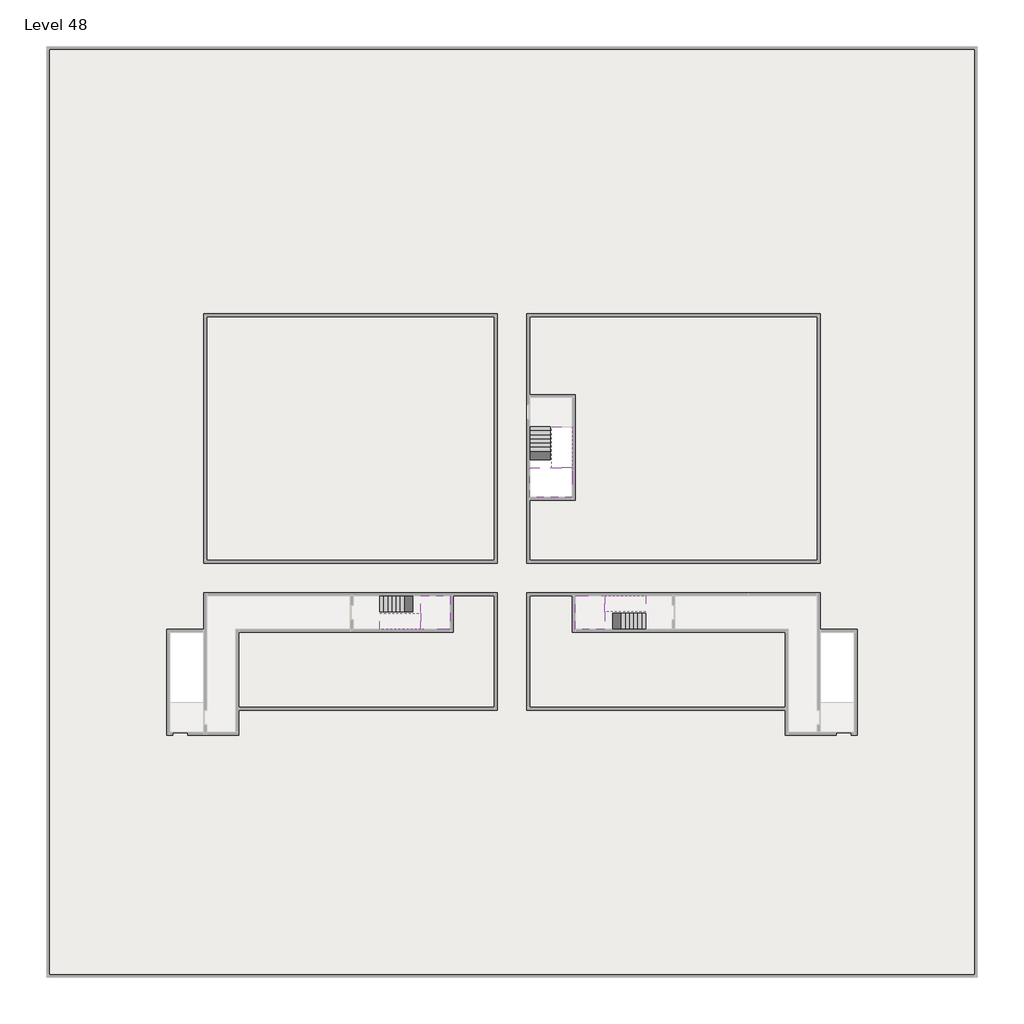
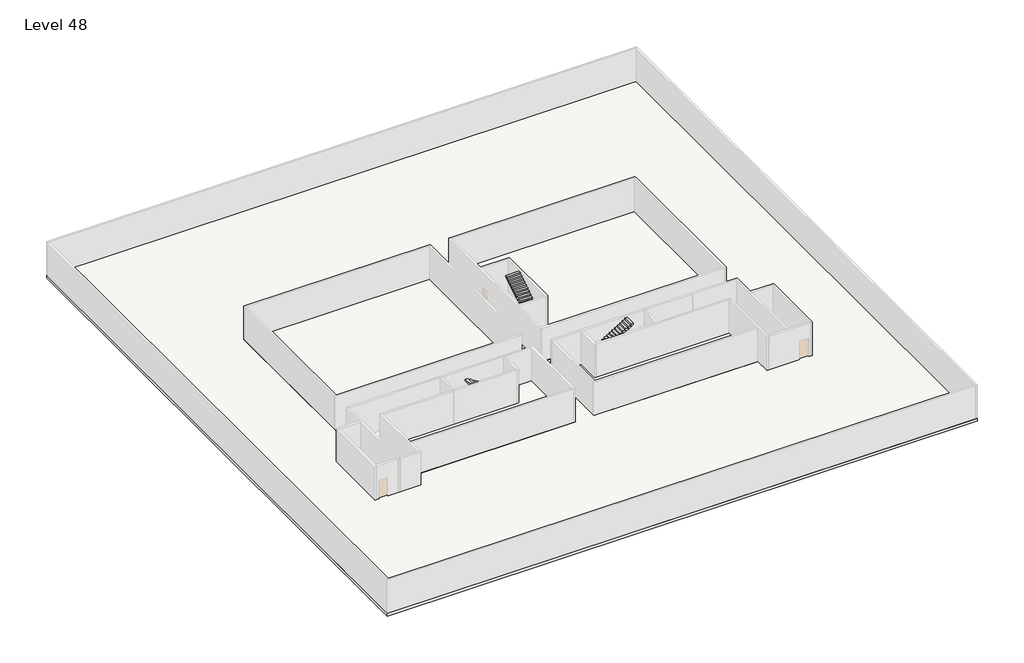
# One storey, part 2 of 2: 6 stair flights, 5 slabs.
"""IFC4 building model written with IfcOpenShell, lengths in millimetres."""

from ifc_helpers import new_model, si_unit, frame, origin, place, context, project, spatial, polyline, outline, extrude, faceted_brep, element, save

model = new_model("IFC4")

# Units and contexts
model_context = context("Model", 3, world=origin())
ifc_project = project(units=[si_unit("LENGTHUNIT", "METRE", prefix="MILLI")], contexts=[model_context])

# Site, building, storey
site = spatial("IfcSite", under=ifc_project)
building = spatial("IfcBuilding", under=site)
storey = spatial("IfcBuildingStorey", under=building, Name="Level 48", Elevation=178600.0)

# Slabs
placement = place(None, origin())
element("IfcSlab", 1, at=placement, inside=storey, context=model_context, shape_type="SweptSolid", body=[
    extrude(outline(polyline([(55890.1058784, -5518.09644), (55890.1058784, -68918.09644), (-7509.8941216, -68918.09644), (-7509.8941216, -5518.09644), (55890.1058784, -5518.09644)]), holes=[polyline([(23190.1058784, -23718.09644), (3190.1058784, -23718.09644), (3190.1058784, -40718.09644), (23190.1058784, -40718.09644), (23190.1058784, -23718.09644)]), polyline([(45190.1058784, -23718.09644), (25190.1058784, -23718.09644), (25190.1058784, -40718.09644), (45190.1058784, -40718.09644), (45190.1058784, -23718.09644)]), polyline([(23190.1058784, -42718.09644), (3190.1058784, -42718.09644), (3190.1058784, -45418.09644), (890.1058784, -45418.09644), (890.1058784, -52218.09644), (5390.1058784, -52218.09644), (5390.1058784, -50718.09644), (23190.1058784, -50718.09644), (23190.1058784, -42718.09644)]), polyline([(44990.1058784, -42718.09644), (25190.1058784, -42718.09644), (25190.1058784, -50718.09644), (42990.1058784, -50718.09644), (42990.1058784, -52218.09644), (47490.1058784, -52218.09644), (47490.1058784, -45418.09644), (44990.1058784, -45418.09644), (44990.1058784, -42718.09644)])]), frame((0.0, 0.0, 178300.0), z_axis=(0.0, 0.0, 1.0), x_axis=(1.0, 0.0, 0.0)), (0.0, 0.0, 1.0), 300.0),
])
element("IfcSlab", 2, at=placement, inside=storey, context=model_context, shape_type="Brep", body=[
    faceted_brep([(26790.1058784, -34218.09644, 180500.0), (25390.1058784, -34218.09644, 180500.0), (25390.1058784, -34297.4828763, 180500.0), (25390.1058784, -36218.09644, 180500.0), (28290.1058784, -36218.09644, 180500.0), (28290.1058784, -34418.7100038, 180500.0), (28290.1058784, -34218.09644, 180500.0), (26890.1058784, -34218.09644, 180500.0), (26790.1058784, -34218.09644, 180200.0), (26790.1058784, -34218.09644, 180151.0278478), (25390.1058784, -34218.09644, 180151.0278478), (25390.1058784, -34218.09644, 180327.2727273), (25390.1058784, -34297.4828763, 180200.0), (25390.1058784, -36218.09644, 180200.0), (28290.1058784, -36218.09644, 180200.0), (28290.1058784, -34418.7100038, 180200.0), (28290.1058784, -34218.09644, 180323.7551205), (26890.1058784, -34218.09644, 180323.7551205), (26890.1058784, -34218.09644, 180200.0), (26890.1058784, -34418.7100038, 180200.0), (26790.1058784, -34297.4828763, 180200.0)], [[[0, 1, 2, 3, 4, 5, 6, 7]], [[1, 0, 8, 9, 10, 11]], [[1, 11, 10, 12, 13, 3, 2]], [[4, 3, 13, 14]], [[4, 14, 15, 16, 6, 5]], [[7, 6, 16, 17]], [[0, 7, 17, 18, 8]], [[18, 19, 15, 14, 13, 12, 20, 8]], [[19, 18, 17]], [[20, 12, 10, 9]], [[8, 20, 9]], [[15, 19, 17, 16]]]),
])
element("IfcSlab", 3, at=placement, inside=storey, context=model_context, shape_type="SweptSolid", body=[
    extrude(outline(polyline([(22990.1058784, -23918.09644), (22990.1058784, -40518.09644), (3390.1058784, -40518.09644), (3390.1058784, -23918.09644), (22990.1058784, -23918.09644)])), frame((0.0, 0.0, 178300.0), z_axis=(0.0, 0.0, 1.0), x_axis=(1.0, 0.0, 0.0)), (0.0, 0.0, 1.0), 300.0),
    extrude(outline(polyline([(44990.1058784, -23918.09644), (44990.1058784, -40518.09644), (25390.1058784, -40518.09644), (25390.1058784, -36418.09644), (28490.1058784, -36418.09644), (28490.1058784, -29218.09644), (25390.1058784, -29218.09644), (25390.1058784, -23918.09644), (44990.1058784, -23918.09644)])), frame((0.0, 0.0, 178300.0), z_axis=(0.0, 0.0, 1.0), x_axis=(1.0, 0.0, 0.0)), (0.0, 0.0, 1.0), 300.0),
    extrude(outline(polyline([(22990.1058784, -42918.09644), (22990.1058784, -50518.09644), (5590.1058784, -50518.09644), (5590.1058784, -45418.09644), (20190.1058784, -45418.09644), (20190.1058784, -42918.09644), (22990.1058784, -42918.09644)])), frame((0.0, 0.0, 178300.0), z_axis=(0.0, 0.0, 1.0), x_axis=(1.0, 0.0, 0.0)), (0.0, 0.0, 1.0), 300.0),
    extrude(outline(polyline([(28290.1058784, -42918.09644), (28290.1058784, -45418.09644), (42790.1058784, -45418.09644), (42790.1058784, -50518.09644), (25390.1058784, -50518.09644), (25390.1058784, -42918.09644), (28290.1058784, -42918.09644)])), frame((0.0, 0.0, 178300.0), z_axis=(0.0, 0.0, 1.0), x_axis=(1.0, 0.0, 0.0)), (0.0, 0.0, 1.0), 300.0),
])
element("IfcSlab", 4, at=placement, inside=storey, context=model_context, shape_type="Brep", body=[
    faceted_brep([(30490.1058784, -45218.09644, 180500.0), (30490.1058784, -44118.09644, 180500.0), (30490.1058784, -44018.09644, 180500.0), (30490.1058784, -42918.09644, 180500.0), (30289.4923146, -42918.09644, 180500.0), (28490.1058784, -42918.09644, 180500.0), (28490.1058784, -45218.09644, 180500.0), (30410.7194421, -45218.09644, 180500.0), (30490.1058784, -45218.09644, 180327.2727273), (30490.1058784, -45218.09644, 180151.0278478), (30490.1058784, -44118.09644, 180151.0278478), (30490.1058784, -44118.09644, 180200.0), (30490.1058784, -44018.09644, 180200.0), (30490.1058784, -44018.09644, 180323.7551205), (30490.1058784, -42918.09644, 180323.7551205), (30289.4923146, -42918.09644, 180200.0), (28490.1058784, -42918.09644, 180200.0), (28490.1058784, -45218.09644, 180200.0), (30410.7194421, -45218.09644, 180200.0), (30289.4923146, -44018.09644, 180200.0), (30410.7194421, -44118.09644, 180200.0)], [[[0, 1, 2, 3, 4, 5, 6, 7]], [[1, 0, 8, 9, 10, 11]], [[2, 1, 11, 12, 13]], [[3, 2, 13, 14]], [[3, 14, 15, 16, 5, 4]], [[6, 5, 16, 17]], [[9, 8, 0, 7, 6, 17, 18]], [[19, 12, 11, 20, 18, 17, 16, 15]], [[12, 19, 13]], [[18, 20, 10, 9]], [[20, 11, 10]], [[19, 15, 14, 13]]]),
])
element("IfcSlab", 5, at=placement, inside=storey, context=model_context, shape_type="Brep", body=[
    faceted_brep([(17990.1058784, -42918.09644, 180500.0), (17990.1058784, -44018.09644, 180500.0), (17990.1058784, -44118.09644, 180500.0), (17990.1058784, -45218.09644, 180500.0), (18190.7194421, -45218.09644, 180500.0), (19990.1058784, -45218.09644, 180500.0), (19990.1058784, -42918.09644, 180500.0), (18069.4923146, -42918.09644, 180500.0), (17990.1058784, -42918.09644, 180327.2727273), (17990.1058784, -42918.09644, 180151.0278478), (17990.1058784, -44018.09644, 180151.0278478), (17990.1058784, -44018.09644, 180200.0), (17990.1058784, -44118.09644, 180200.0), (17990.1058784, -44118.09644, 180323.7551205), (17990.1058784, -45218.09644, 180323.7551205), (18190.7194421, -45218.09644, 180200.0), (19990.1058784, -45218.09644, 180200.0), (19990.1058784, -42918.09644, 180200.0), (18069.4923146, -42918.09644, 180200.0), (18190.7194421, -44118.09644, 180200.0), (18069.4923146, -44018.09644, 180200.0)], [[[0, 1, 2, 3, 4, 5, 6, 7]], [[1, 0, 8, 9, 10, 11]], [[2, 1, 11, 12, 13]], [[3, 2, 13, 14]], [[3, 14, 15, 16, 5, 4]], [[6, 5, 16, 17]], [[9, 8, 0, 7, 6, 17, 18]], [[19, 12, 11, 20, 18, 17, 16, 15]], [[12, 19, 13]], [[18, 20, 10, 9]], [[20, 11, 10]], [[19, 15, 14, 13]]]),
])

# Stair flights
element("IfcStairFlight", 6, at=placement, inside=storey, context=model_context, shape_type="Brep", body=[
    faceted_brep([(26790.1058784, -31698.09644, 178772.7272727), (26790.1058784, -31418.09644, 178772.7272727), (25390.1058784, -31418.09644, 178772.7272727), (25390.1058784, -31698.09644, 178772.7272727), (26790.1058784, -31698.09644, 178600.0), (26790.1058784, -31418.09644, 178600.0), (25390.1058784, -31418.09644, 178600.0), (25390.1058784, -31698.09644, 178600.0), (26790.1058784, -31978.09644, 178945.4545455), (26790.1058784, -31698.09644, 178945.4545455), (25390.1058784, -31698.09644, 178945.4545455), (25390.1058784, -31978.09644, 178945.4545455), (26790.1058784, -31978.09644, 178769.209666), (26790.1058784, -31703.7986657, 178600.0), (25390.1058784, -31703.7986657, 178600.0), (25390.1058784, -31978.09644, 178769.209666), (26790.1058784, -32258.09644, 179118.1818182), (26790.1058784, -31978.09644, 179118.1818182), (25390.1058784, -31978.09644, 179118.1818182), (25390.1058784, -32258.09644, 179118.1818182), (26790.1058784, -32258.09644, 178941.9369387), (25390.1058784, -32258.09644, 178941.9369387), (26790.1058784, -32538.09644, 179290.9090909), (26790.1058784, -32258.09644, 179290.9090909), (25390.1058784, -32258.09644, 179290.9090909), (25390.1058784, -32538.09644, 179290.9090909), (26790.1058784, -32538.09644, 179114.6642114), (25390.1058784, -32538.09644, 179114.6642114), (26790.1058784, -32818.09644, 179463.6363636), (26790.1058784, -32538.09644, 179463.6363636), (25390.1058784, -32538.09644, 179463.6363636), (25390.1058784, -32818.09644, 179463.6363636), (26790.1058784, -32818.09644, 179287.3914841), (25390.1058784, -32818.09644, 179287.3914841), (26790.1058784, -33098.09644, 179636.3636364), (26790.1058784, -32818.09644, 179636.3636364), (25390.1058784, -32818.09644, 179636.3636364), (25390.1058784, -33098.09644, 179636.3636364), (26790.1058784, -33098.09644, 179460.1187569), (25390.1058784, -33098.09644, 179460.1187569), (26790.1058784, -33378.09644, 179809.0909091), (26790.1058784, -33098.09644, 179809.0909091), (25390.1058784, -33098.09644, 179809.0909091), (25390.1058784, -33378.09644, 179809.0909091), (26790.1058784, -33378.09644, 179632.8460296), (25390.1058784, -33378.09644, 179632.8460296), (26790.1058784, -33658.09644, 179981.8181818), (26790.1058784, -33378.09644, 179981.8181818), (25390.1058784, -33378.09644, 179981.8181818), (25390.1058784, -33658.09644, 179981.8181818), (26790.1058784, -33658.09644, 179805.5733023), (25390.1058784, -33658.09644, 179805.5733023), (26790.1058784, -33938.09644, 180154.5454545), (26790.1058784, -33658.09644, 180154.5454545), (25390.1058784, -33658.09644, 180154.5454545), (25390.1058784, -33938.09644, 180154.5454545), (26790.1058784, -33938.09644, 179978.3005751), (25390.1058784, -33938.09644, 179978.3005751), (26790.1058784, -34218.09644, 180327.2727273), (26790.1058784, -33938.09644, 180327.2727273), (25390.1058784, -33938.09644, 180327.2727273), (25390.1058784, -34218.09644, 180327.2727273), (26790.1058784, -34218.09644, 180200.0), (26790.1058784, -34218.09644, 180151.0278478), (25390.1058784, -34218.09644, 180151.0278478)], [[[0, 1, 2, 3]], [[1, 0, 4, 5]], [[2, 1, 5, 6]], [[3, 2, 6, 7]], [[8, 9, 10, 11]], [[4, 0, 9, 8, 12, 13]], [[0, 3, 10, 9]], [[3, 7, 14, 15, 11, 10]], [[16, 17, 18, 19]], [[17, 16, 20, 12, 8]], [[8, 11, 18, 17]], [[19, 18, 11, 15, 21]], [[22, 23, 24, 25]], [[23, 22, 26, 20, 16]], [[16, 19, 24, 23]], [[25, 24, 19, 21, 27]], [[28, 29, 30, 31]], [[29, 28, 32, 26, 22]], [[22, 25, 30, 29]], [[31, 30, 25, 27, 33]], [[34, 35, 36, 37]], [[35, 34, 38, 32, 28]], [[28, 31, 36, 35]], [[37, 36, 31, 33, 39]], [[40, 41, 42, 43]], [[41, 40, 44, 38, 34]], [[34, 37, 42, 41]], [[43, 42, 37, 39, 45]], [[46, 47, 48, 49]], [[47, 46, 50, 44, 40]], [[40, 43, 48, 47]], [[49, 48, 43, 45, 51]], [[52, 53, 54, 55]], [[53, 52, 56, 50, 46]], [[46, 49, 54, 53]], [[55, 54, 49, 51, 57]], [[58, 59, 60, 61]], [[59, 58, 62, 63, 56, 52]], [[52, 55, 60, 59]], [[61, 60, 55, 57, 64]], [[58, 61, 64, 63, 62]], [[5, 4, 13, 14, 7, 6]], [[14, 13, 12, 20, 26, 32, 38, 44, 50, 56, 63, 64, 57, 51, 45, 39, 33, 27, 21, 15]]]),
])
element("IfcStairFlight", 7, at=placement, inside=storey, context=model_context, shape_type="Brep", body=[
    faceted_brep([(26890.1058784, -33938.09644, 180672.7272727), (26890.1058784, -34218.09644, 180672.7272727), (28290.1058784, -34218.09644, 180672.7272727), (28290.1058784, -33938.09644, 180672.7272727), (26890.1058784, -33938.09644, 180496.4823932), (26890.1058784, -34218.09644, 180323.7551205), (28290.1058784, -34218.09644, 180323.7551205), (28290.1058784, -34218.09644, 180500.0), (28290.1058784, -33938.09644, 180496.4823932), (26890.1058784, -33658.09644, 180845.4545455), (26890.1058784, -33938.09644, 180845.4545455), (28290.1058784, -33938.09644, 180845.4545455), (28290.1058784, -33658.09644, 180845.4545455), (26890.1058784, -33658.09644, 180669.209666), (28290.1058784, -33658.09644, 180669.209666), (26890.1058784, -33378.09644, 181018.1818182), (26890.1058784, -33658.09644, 181018.1818182), (28290.1058784, -33658.09644, 181018.1818182), (28290.1058784, -33378.09644, 181018.1818182), (26890.1058784, -33378.09644, 180841.9369387), (28290.1058784, -33378.09644, 180841.9369387), (26890.1058784, -33098.09644, 181190.9090909), (26890.1058784, -33378.09644, 181190.9090909), (28290.1058784, -33378.09644, 181190.9090909), (28290.1058784, -33098.09644, 181190.9090909), (26890.1058784, -33098.09644, 181014.6642114), (28290.1058784, -33098.09644, 181014.6642114), (26890.1058784, -32818.09644, 181363.6363636), (26890.1058784, -33098.09644, 181363.6363636), (28290.1058784, -33098.09644, 181363.6363636), (28290.1058784, -32818.09644, 181363.6363636), (26890.1058784, -32818.09644, 181187.3914841), (28290.1058784, -32818.09644, 181187.3914841), (26890.1058784, -32538.09644, 181536.3636364), (26890.1058784, -32818.09644, 181536.3636364), (28290.1058784, -32818.09644, 181536.3636364), (28290.1058784, -32538.09644, 181536.3636364), (26890.1058784, -32538.09644, 181360.1187569), (28290.1058784, -32538.09644, 181360.1187569), (26890.1058784, -32258.09644, 181709.0909091), (26890.1058784, -32538.09644, 181709.0909091), (28290.1058784, -32538.09644, 181709.0909091), (28290.1058784, -32258.09644, 181709.0909091), (26890.1058784, -32258.09644, 181532.8460296), (28290.1058784, -32258.09644, 181532.8460296), (26890.1058784, -31978.09644, 181881.8181818), (26890.1058784, -32258.09644, 181881.8181818), (28290.1058784, -32258.09644, 181881.8181818), (28290.1058784, -31978.09644, 181881.8181818), (26890.1058784, -31978.09644, 181705.5733023), (28290.1058784, -31978.09644, 181705.5733023), (26890.1058784, -31698.09644, 182054.5454545), (26890.1058784, -31978.09644, 182054.5454545), (28290.1058784, -31978.09644, 182054.5454545), (28290.1058784, -31698.09644, 182054.5454545), (26890.1058784, -31698.09644, 181878.3005751), (28290.1058784, -31698.09644, 181878.3005751), (26890.1058784, -31418.09644, 182227.2727273), (26890.1058784, -31698.09644, 182227.2727273), (28290.1058784, -31698.09644, 182227.2727273), (28290.1058784, -31418.09644, 182227.2727273), (26890.1058784, -31418.09644, 182051.0278478), (28290.1058784, -31418.09644, 182051.0278478)], [[[0, 1, 2, 3]], [[1, 0, 4, 5]], [[2, 1, 5, 6, 7]], [[3, 2, 7, 6, 8]], [[9, 10, 11, 12]], [[10, 9, 13, 4, 0]], [[11, 10, 0, 3]], [[12, 11, 3, 8, 14]], [[15, 16, 17, 18]], [[16, 15, 19, 13, 9]], [[17, 16, 9, 12]], [[18, 17, 12, 14, 20]], [[21, 22, 23, 24]], [[22, 21, 25, 19, 15]], [[23, 22, 15, 18]], [[24, 23, 18, 20, 26]], [[27, 28, 29, 30]], [[28, 27, 31, 25, 21]], [[29, 28, 21, 24]], [[30, 29, 24, 26, 32]], [[33, 34, 35, 36]], [[34, 33, 37, 31, 27]], [[35, 34, 27, 30]], [[36, 35, 30, 32, 38]], [[39, 40, 41, 42]], [[40, 39, 43, 37, 33]], [[41, 40, 33, 36]], [[42, 41, 36, 38, 44]], [[45, 46, 47, 48]], [[46, 45, 49, 43, 39]], [[47, 46, 39, 42]], [[48, 47, 42, 44, 50]], [[51, 52, 53, 54]], [[52, 51, 55, 49, 45]], [[53, 52, 45, 48]], [[54, 53, 48, 50, 56]], [[57, 58, 59, 60]], [[58, 57, 61, 55, 51]], [[59, 58, 51, 54]], [[60, 59, 54, 56, 62]], [[57, 60, 62, 61]], [[5, 4, 13, 19, 25, 31, 37, 43, 49, 55, 61, 62, 56, 50, 44, 38, 32, 26, 20, 14, 8, 6]]]),
])
element("IfcStairFlight", 8, at=placement, inside=storey, context=model_context, shape_type="Brep", body=[
    faceted_brep([(33010.1058784, -45218.09644, 178772.7272727), (33290.1058784, -45218.09644, 178772.7272727), (33290.1058784, -44118.09644, 178772.7272727), (33010.1058784, -44118.09644, 178772.7272727), (33010.1058784, -45218.09644, 178600.0), (33290.1058784, -45218.09644, 178600.0), (33290.1058784, -44118.09644, 178600.0), (33010.1058784, -44118.09644, 178600.0), (32730.1058784, -45218.09644, 178945.4545455), (33010.1058784, -45218.09644, 178945.4545455), (33010.1058784, -44118.09644, 178945.4545455), (32730.1058784, -44118.09644, 178945.4545455), (32730.1058784, -45218.09644, 178769.209666), (33004.4036527, -45218.09644, 178600.0), (33004.4036527, -44118.09644, 178600.0), (32730.1058784, -44118.09644, 178769.209666), (32450.1058784, -45218.09644, 179118.1818182), (32730.1058784, -45218.09644, 179118.1818182), (32730.1058784, -44118.09644, 179118.1818182), (32450.1058784, -44118.09644, 179118.1818182), (32450.1058784, -45218.09644, 178941.9369387), (32450.1058784, -44118.09644, 178941.9369387), (32170.1058784, -45218.09644, 179290.9090909), (32450.1058784, -45218.09644, 179290.9090909), (32450.1058784, -44118.09644, 179290.9090909), (32170.1058784, -44118.09644, 179290.9090909), (32170.1058784, -45218.09644, 179114.6642114), (32170.1058784, -44118.09644, 179114.6642114), (31890.1058784, -45218.09644, 179463.6363636), (32170.1058784, -45218.09644, 179463.6363636), (32170.1058784, -44118.09644, 179463.6363636), (31890.1058784, -44118.09644, 179463.6363636), (31890.1058784, -45218.09644, 179287.3914841), (31890.1058784, -44118.09644, 179287.3914841), (31610.1058784, -45218.09644, 179636.3636364), (31890.1058784, -45218.09644, 179636.3636364), (31890.1058784, -44118.09644, 179636.3636364), (31610.1058784, -44118.09644, 179636.3636364), (31610.1058784, -45218.09644, 179460.1187569), (31610.1058784, -44118.09644, 179460.1187569), (31330.1058784, -45218.09644, 179809.0909091), (31610.1058784, -45218.09644, 179809.0909091), (31610.1058784, -44118.09644, 179809.0909091), (31330.1058784, -44118.09644, 179809.0909091), (31330.1058784, -45218.09644, 179632.8460296), (31330.1058784, -44118.09644, 179632.8460296), (31050.1058784, -45218.09644, 179981.8181818), (31330.1058784, -45218.09644, 179981.8181818), (31330.1058784, -44118.09644, 179981.8181818), (31050.1058784, -44118.09644, 179981.8181818), (31050.1058784, -45218.09644, 179805.5733023), (31050.1058784, -44118.09644, 179805.5733023), (30770.1058784, -45218.09644, 180154.5454545), (31050.1058784, -45218.09644, 180154.5454545), (31050.1058784, -44118.09644, 180154.5454545), (30770.1058784, -44118.09644, 180154.5454545), (30770.1058784, -45218.09644, 179978.3005751), (30770.1058784, -44118.09644, 179978.3005751), (30490.1058784, -45218.09644, 180327.2727273), (30770.1058784, -45218.09644, 180327.2727273), (30770.1058784, -44118.09644, 180327.2727273), (30490.1058784, -44118.09644, 180327.2727273), (30490.1058784, -45218.09644, 180151.0278478), (30490.1058784, -44118.09644, 180151.0278478), (30490.1058784, -44118.09644, 180200.0)], [[[0, 1, 2, 3]], [[1, 0, 4, 5]], [[2, 1, 5, 6]], [[3, 2, 6, 7]], [[8, 9, 10, 11]], [[4, 0, 9, 8, 12, 13]], [[0, 3, 10, 9]], [[3, 7, 14, 15, 11, 10]], [[16, 17, 18, 19]], [[17, 16, 20, 12, 8]], [[8, 11, 18, 17]], [[19, 18, 11, 15, 21]], [[22, 23, 24, 25]], [[23, 22, 26, 20, 16]], [[16, 19, 24, 23]], [[25, 24, 19, 21, 27]], [[28, 29, 30, 31]], [[29, 28, 32, 26, 22]], [[22, 25, 30, 29]], [[31, 30, 25, 27, 33]], [[34, 35, 36, 37]], [[35, 34, 38, 32, 28]], [[28, 31, 36, 35]], [[37, 36, 31, 33, 39]], [[40, 41, 42, 43]], [[41, 40, 44, 38, 34]], [[34, 37, 42, 41]], [[43, 42, 37, 39, 45]], [[46, 47, 48, 49]], [[47, 46, 50, 44, 40]], [[40, 43, 48, 47]], [[49, 48, 43, 45, 51]], [[52, 53, 54, 55]], [[53, 52, 56, 50, 46]], [[46, 49, 54, 53]], [[55, 54, 49, 51, 57]], [[58, 59, 60, 61]], [[59, 58, 62, 56, 52]], [[52, 55, 60, 59]], [[61, 60, 55, 57, 63, 64]], [[58, 61, 64, 63, 62]], [[5, 4, 13, 14, 7, 6]], [[14, 13, 12, 20, 26, 32, 38, 44, 50, 56, 62, 63, 57, 51, 45, 39, 33, 27, 21, 15]]]),
])
element("IfcStairFlight", 9, at=placement, inside=storey, context=model_context, shape_type="Brep", body=[
    faceted_brep([(30770.1058784, -42918.09644, 180672.7272727), (30490.1058784, -42918.09644, 180672.7272727), (30490.1058784, -44018.09644, 180672.7272727), (30770.1058784, -44018.09644, 180672.7272727), (30770.1058784, -42918.09644, 180496.4823932), (30490.1058784, -42918.09644, 180323.7551205), (30490.1058784, -42918.09644, 180500.0), (30490.1058784, -44018.09644, 180323.7551205), (30770.1058784, -44018.09644, 180496.4823932), (31050.1058784, -42918.09644, 180845.4545455), (30770.1058784, -42918.09644, 180845.4545455), (30770.1058784, -44018.09644, 180845.4545455), (31050.1058784, -44018.09644, 180845.4545455), (31050.1058784, -42918.09644, 180669.209666), (31050.1058784, -44018.09644, 180669.209666), (31330.1058784, -42918.09644, 181018.1818182), (31050.1058784, -42918.09644, 181018.1818182), (31050.1058784, -44018.09644, 181018.1818182), (31330.1058784, -44018.09644, 181018.1818182), (31330.1058784, -42918.09644, 180841.9369387), (31330.1058784, -44018.09644, 180841.9369387), (31610.1058784, -42918.09644, 181190.9090909), (31330.1058784, -42918.09644, 181190.9090909), (31330.1058784, -44018.09644, 181190.9090909), (31610.1058784, -44018.09644, 181190.9090909), (31610.1058784, -42918.09644, 181014.6642114), (31610.1058784, -44018.09644, 181014.6642114), (31890.1058784, -42918.09644, 181363.6363636), (31610.1058784, -42918.09644, 181363.6363636), (31610.1058784, -44018.09644, 181363.6363636), (31890.1058784, -44018.09644, 181363.6363636), (31890.1058784, -42918.09644, 181187.3914841), (31890.1058784, -44018.09644, 181187.3914841), (32170.1058784, -42918.09644, 181536.3636364), (31890.1058784, -42918.09644, 181536.3636364), (31890.1058784, -44018.09644, 181536.3636364), (32170.1058784, -44018.09644, 181536.3636364), (32170.1058784, -42918.09644, 181360.1187569), (32170.1058784, -44018.09644, 181360.1187569), (32450.1058784, -42918.09644, 181709.0909091), (32170.1058784, -42918.09644, 181709.0909091), (32170.1058784, -44018.09644, 181709.0909091), (32450.1058784, -44018.09644, 181709.0909091), (32450.1058784, -42918.09644, 181532.8460296), (32450.1058784, -44018.09644, 181532.8460296), (32730.1058784, -42918.09644, 181881.8181818), (32450.1058784, -42918.09644, 181881.8181818), (32450.1058784, -44018.09644, 181881.8181818), (32730.1058784, -44018.09644, 181881.8181818), (32730.1058784, -42918.09644, 181705.5733023), (32730.1058784, -44018.09644, 181705.5733023), (33010.1058784, -42918.09644, 182054.5454545), (32730.1058784, -42918.09644, 182054.5454545), (32730.1058784, -44018.09644, 182054.5454545), (33010.1058784, -44018.09644, 182054.5454545), (33010.1058784, -42918.09644, 181878.3005751), (33010.1058784, -44018.09644, 181878.3005751), (33290.1058784, -42918.09644, 182227.2727273), (33010.1058784, -42918.09644, 182227.2727273), (33010.1058784, -44018.09644, 182227.2727273), (33290.1058784, -44018.09644, 182227.2727273), (33290.1058784, -42918.09644, 182051.0278478), (33290.1058784, -44018.09644, 182051.0278478)], [[[0, 1, 2, 3]], [[1, 0, 4, 5, 6]], [[2, 1, 6, 5, 7]], [[3, 2, 7, 8]], [[9, 10, 11, 12]], [[10, 9, 13, 4, 0]], [[11, 10, 0, 3]], [[12, 11, 3, 8, 14]], [[15, 16, 17, 18]], [[16, 15, 19, 13, 9]], [[17, 16, 9, 12]], [[18, 17, 12, 14, 20]], [[21, 22, 23, 24]], [[22, 21, 25, 19, 15]], [[23, 22, 15, 18]], [[24, 23, 18, 20, 26]], [[27, 28, 29, 30]], [[28, 27, 31, 25, 21]], [[29, 28, 21, 24]], [[30, 29, 24, 26, 32]], [[33, 34, 35, 36]], [[34, 33, 37, 31, 27]], [[35, 34, 27, 30]], [[36, 35, 30, 32, 38]], [[39, 40, 41, 42]], [[40, 39, 43, 37, 33]], [[41, 40, 33, 36]], [[42, 41, 36, 38, 44]], [[45, 46, 47, 48]], [[46, 45, 49, 43, 39]], [[47, 46, 39, 42]], [[48, 47, 42, 44, 50]], [[51, 52, 53, 54]], [[52, 51, 55, 49, 45]], [[53, 52, 45, 48]], [[54, 53, 48, 50, 56]], [[57, 58, 59, 60]], [[58, 57, 61, 55, 51]], [[59, 58, 51, 54]], [[60, 59, 54, 56, 62]], [[57, 60, 62, 61]], [[5, 4, 13, 19, 25, 31, 37, 43, 49, 55, 61, 62, 56, 50, 44, 38, 32, 26, 20, 14, 8, 7]]]),
])
element("IfcStairFlight", 10, at=placement, inside=storey, context=model_context, shape_type="Brep", body=[
    faceted_brep([(15470.1058784, -42918.09644, 178772.7272727), (15190.1058784, -42918.09644, 178772.7272727), (15190.1058784, -44018.09644, 178772.7272727), (15470.1058784, -44018.09644, 178772.7272727), (15470.1058784, -42918.09644, 178600.0), (15190.1058784, -42918.09644, 178600.0), (15190.1058784, -44018.09644, 178600.0), (15470.1058784, -44018.09644, 178600.0), (15750.1058784, -42918.09644, 178945.4545455), (15470.1058784, -42918.09644, 178945.4545455), (15470.1058784, -44018.09644, 178945.4545455), (15750.1058784, -44018.09644, 178945.4545455), (15750.1058784, -42918.09644, 178769.209666), (15475.8081041, -42918.09644, 178600.0), (15475.8081041, -44018.09644, 178600.0), (15750.1058784, -44018.09644, 178769.209666), (16030.1058784, -42918.09644, 179118.1818182), (15750.1058784, -42918.09644, 179118.1818182), (15750.1058784, -44018.09644, 179118.1818182), (16030.1058784, -44018.09644, 179118.1818182), (16030.1058784, -42918.09644, 178941.9369387), (16030.1058784, -44018.09644, 178941.9369387), (16310.1058784, -42918.09644, 179290.9090909), (16030.1058784, -42918.09644, 179290.9090909), (16030.1058784, -44018.09644, 179290.9090909), (16310.1058784, -44018.09644, 179290.9090909), (16310.1058784, -42918.09644, 179114.6642114), (16310.1058784, -44018.09644, 179114.6642114), (16590.1058784, -42918.09644, 179463.6363636), (16310.1058784, -42918.09644, 179463.6363636), (16310.1058784, -44018.09644, 179463.6363636), (16590.1058784, -44018.09644, 179463.6363636), (16590.1058784, -42918.09644, 179287.3914841), (16590.1058784, -44018.09644, 179287.3914841), (16870.1058784, -42918.09644, 179636.3636364), (16590.1058784, -42918.09644, 179636.3636364), (16590.1058784, -44018.09644, 179636.3636364), (16870.1058784, -44018.09644, 179636.3636364), (16870.1058784, -42918.09644, 179460.1187569), (16870.1058784, -44018.09644, 179460.1187569), (17150.1058784, -42918.09644, 179809.0909091), (16870.1058784, -42918.09644, 179809.0909091), (16870.1058784, -44018.09644, 179809.0909091), (17150.1058784, -44018.09644, 179809.0909091), (17150.1058784, -42918.09644, 179632.8460296), (17150.1058784, -44018.09644, 179632.8460296), (17430.1058784, -42918.09644, 179981.8181818), (17150.1058784, -42918.09644, 179981.8181818), (17150.1058784, -44018.09644, 179981.8181818), (17430.1058784, -44018.09644, 179981.8181818), (17430.1058784, -42918.09644, 179805.5733023), (17430.1058784, -44018.09644, 179805.5733023), (17710.1058784, -42918.09644, 180154.5454545), (17430.1058784, -42918.09644, 180154.5454545), (17430.1058784, -44018.09644, 180154.5454545), (17710.1058784, -44018.09644, 180154.5454545), (17710.1058784, -42918.09644, 179978.3005751), (17710.1058784, -44018.09644, 179978.3005751), (17990.1058784, -42918.09644, 180327.2727273), (17710.1058784, -42918.09644, 180327.2727273), (17710.1058784, -44018.09644, 180327.2727273), (17990.1058784, -44018.09644, 180327.2727273), (17990.1058784, -42918.09644, 180151.0278478), (17990.1058784, -44018.09644, 180151.0278478), (17990.1058784, -44018.09644, 180200.0)], [[[0, 1, 2, 3]], [[1, 0, 4, 5]], [[2, 1, 5, 6]], [[3, 2, 6, 7]], [[8, 9, 10, 11]], [[4, 0, 9, 8, 12, 13]], [[0, 3, 10, 9]], [[3, 7, 14, 15, 11, 10]], [[16, 17, 18, 19]], [[17, 16, 20, 12, 8]], [[8, 11, 18, 17]], [[19, 18, 11, 15, 21]], [[22, 23, 24, 25]], [[23, 22, 26, 20, 16]], [[16, 19, 24, 23]], [[25, 24, 19, 21, 27]], [[28, 29, 30, 31]], [[29, 28, 32, 26, 22]], [[22, 25, 30, 29]], [[31, 30, 25, 27, 33]], [[34, 35, 36, 37]], [[35, 34, 38, 32, 28]], [[28, 31, 36, 35]], [[37, 36, 31, 33, 39]], [[40, 41, 42, 43]], [[41, 40, 44, 38, 34]], [[34, 37, 42, 41]], [[43, 42, 37, 39, 45]], [[46, 47, 48, 49]], [[47, 46, 50, 44, 40]], [[40, 43, 48, 47]], [[49, 48, 43, 45, 51]], [[52, 53, 54, 55]], [[53, 52, 56, 50, 46]], [[46, 49, 54, 53]], [[55, 54, 49, 51, 57]], [[58, 59, 60, 61]], [[59, 58, 62, 56, 52]], [[52, 55, 60, 59]], [[61, 60, 55, 57, 63, 64]], [[58, 61, 64, 63, 62]], [[5, 4, 13, 14, 7, 6]], [[14, 13, 12, 20, 26, 32, 38, 44, 50, 56, 62, 63, 57, 51, 45, 39, 33, 27, 21, 15]]]),
])
element("IfcStairFlight", 11, at=placement, inside=storey, context=model_context, shape_type="Brep", body=[
    faceted_brep([(17710.1058784, -45218.09644, 180672.7272727), (17990.1058784, -45218.09644, 180672.7272727), (17990.1058784, -44118.09644, 180672.7272727), (17710.1058784, -44118.09644, 180672.7272727), (17710.1058784, -45218.09644, 180496.4823932), (17990.1058784, -45218.09644, 180323.7551205), (17990.1058784, -45218.09644, 180500.0), (17990.1058784, -44118.09644, 180323.7551205), (17710.1058784, -44118.09644, 180496.4823932), (17430.1058784, -45218.09644, 180845.4545455), (17710.1058784, -45218.09644, 180845.4545455), (17710.1058784, -44118.09644, 180845.4545455), (17430.1058784, -44118.09644, 180845.4545455), (17430.1058784, -45218.09644, 180669.209666), (17430.1058784, -44118.09644, 180669.209666), (17150.1058784, -45218.09644, 181018.1818182), (17430.1058784, -45218.09644, 181018.1818182), (17430.1058784, -44118.09644, 181018.1818182), (17150.1058784, -44118.09644, 181018.1818182), (17150.1058784, -45218.09644, 180841.9369387), (17150.1058784, -44118.09644, 180841.9369387), (16870.1058784, -45218.09644, 181190.9090909), (17150.1058784, -45218.09644, 181190.9090909), (17150.1058784, -44118.09644, 181190.9090909), (16870.1058784, -44118.09644, 181190.9090909), (16870.1058784, -45218.09644, 181014.6642114), (16870.1058784, -44118.09644, 181014.6642114), (16590.1058784, -45218.09644, 181363.6363636), (16870.1058784, -45218.09644, 181363.6363636), (16870.1058784, -44118.09644, 181363.6363636), (16590.1058784, -44118.09644, 181363.6363636), (16590.1058784, -45218.09644, 181187.3914841), (16590.1058784, -44118.09644, 181187.3914841), (16310.1058784, -45218.09644, 181536.3636364), (16590.1058784, -45218.09644, 181536.3636364), (16590.1058784, -44118.09644, 181536.3636364), (16310.1058784, -44118.09644, 181536.3636364), (16310.1058784, -45218.09644, 181360.1187569), (16310.1058784, -44118.09644, 181360.1187569), (16030.1058784, -45218.09644, 181709.0909091), (16310.1058784, -45218.09644, 181709.0909091), (16310.1058784, -44118.09644, 181709.0909091), (16030.1058784, -44118.09644, 181709.0909091), (16030.1058784, -45218.09644, 181532.8460296), (16030.1058784, -44118.09644, 181532.8460296), (15750.1058784, -45218.09644, 181881.8181818), (16030.1058784, -45218.09644, 181881.8181818), (16030.1058784, -44118.09644, 181881.8181818), (15750.1058784, -44118.09644, 181881.8181818), (15750.1058784, -45218.09644, 181705.5733023), (15750.1058784, -44118.09644, 181705.5733023), (15470.1058784, -45218.09644, 182054.5454545), (15750.1058784, -45218.09644, 182054.5454545), (15750.1058784, -44118.09644, 182054.5454545), (15470.1058784, -44118.09644, 182054.5454545), (15470.1058784, -45218.09644, 181878.3005751), (15470.1058784, -44118.09644, 181878.3005751), (15190.1058784, -45218.09644, 182227.2727273), (15470.1058784, -45218.09644, 182227.2727273), (15470.1058784, -44118.09644, 182227.2727273), (15190.1058784, -44118.09644, 182227.2727273), (15190.1058784, -45218.09644, 182051.0278478), (15190.1058784, -44118.09644, 182051.0278478)], [[[0, 1, 2, 3]], [[1, 0, 4, 5, 6]], [[2, 1, 6, 5, 7]], [[3, 2, 7, 8]], [[9, 10, 11, 12]], [[10, 9, 13, 4, 0]], [[11, 10, 0, 3]], [[12, 11, 3, 8, 14]], [[15, 16, 17, 18]], [[16, 15, 19, 13, 9]], [[17, 16, 9, 12]], [[18, 17, 12, 14, 20]], [[21, 22, 23, 24]], [[22, 21, 25, 19, 15]], [[23, 22, 15, 18]], [[24, 23, 18, 20, 26]], [[27, 28, 29, 30]], [[28, 27, 31, 25, 21]], [[29, 28, 21, 24]], [[30, 29, 24, 26, 32]], [[33, 34, 35, 36]], [[34, 33, 37, 31, 27]], [[35, 34, 27, 30]], [[36, 35, 30, 32, 38]], [[39, 40, 41, 42]], [[40, 39, 43, 37, 33]], [[41, 40, 33, 36]], [[42, 41, 36, 38, 44]], [[45, 46, 47, 48]], [[46, 45, 49, 43, 39]], [[47, 46, 39, 42]], [[48, 47, 42, 44, 50]], [[51, 52, 53, 54]], [[52, 51, 55, 49, 45]], [[53, 52, 45, 48]], [[54, 53, 48, 50, 56]], [[57, 58, 59, 60]], [[58, 57, 61, 55, 51]], [[59, 58, 51, 54]], [[60, 59, 54, 56, 62]], [[57, 60, 62, 61]], [[5, 4, 13, 19, 25, 31, 37, 43, 49, 55, 61, 62, 56, 50, 44, 38, 32, 26, 20, 14, 8, 7]]]),
])

save(model, "model.ifc")
